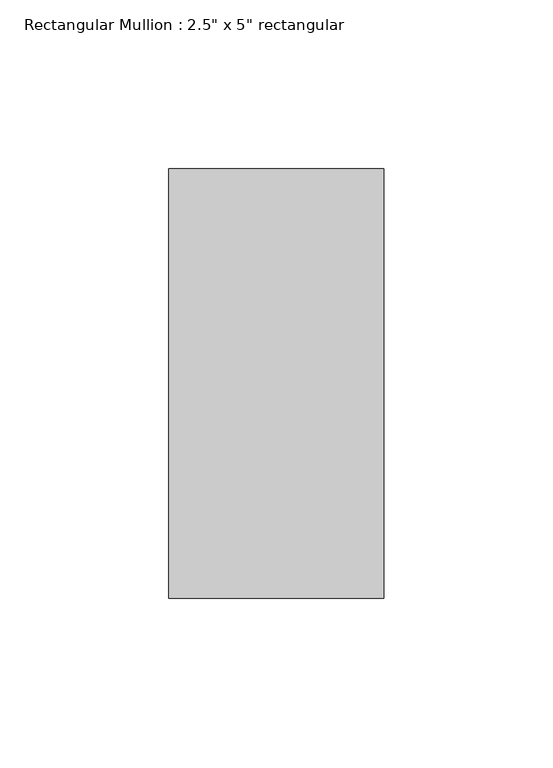
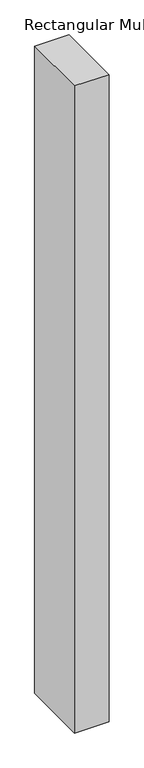
"""IFC4 building model written with IfcOpenShell, lengths in millimetres: member geometry."""

from ifc_helpers import new_model, si_unit, frame, origin, place, context, project, spatial, polyline, outline, extrude, source, transform, mapped, element, save


def member_897e6b0f(model_context):
    return source(origin(), model_context, "Body", "SweptSolid", [
        extrude(outline(polyline([(31.75, 63.5), (31.75, -63.5), (-31.75, -63.5), (-31.75, 63.5), (31.75, 63.5)])), frame((0.0, 0.0, -1257.8), z_axis=(0.0, 0.0, 1.0), x_axis=(1.0, 0.0, 0.0)), (0.0, 0.0, 1.0), 1257.8),
    ])


if __name__ == "__main__":
    model = new_model("IFC4")
    model_context = context("Model", 3, world=origin())
    ifc_project = project(units=[si_unit("LENGTHUNIT", "METRE", prefix="MILLI")], contexts=[model_context])
    site = spatial("IfcSite", under=ifc_project)
    building = spatial("IfcBuilding", under=site)
    placement = place(None, origin())
    member_shape = member_897e6b0f(model_context)
    element("IfcMember", 1, ObjectType="Rectangular Mullion : 2.5\" x 5\" rectangular", at=placement, inside=building, context=model_context, shape_type="MappedRepresentation", body=[
        mapped(member_shape, transform((0.0, 0.0, 0.0), x_axis=(1.0, 0.0, 0.0), y_axis=(0.0, 1.0, 0.0), z_axis=(0.0, 0.0, 1.0))),
    ])
    save(model, "model.ifc")
